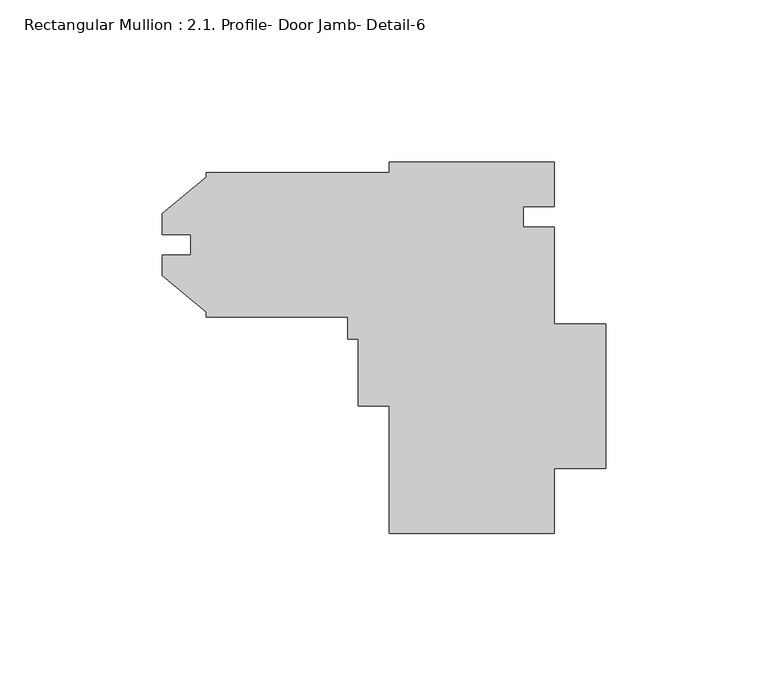
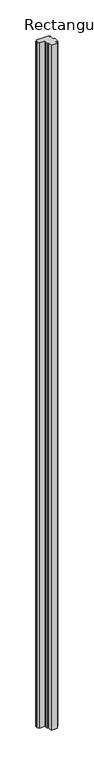
"""IFC4 building model written with IfcOpenShell, lengths in millimetres: member geometry, Rectangular Mullion : 2.1. Profile- Door Jamb- Detail-6."""

from ifc_helpers import new_model, si_unit, frame, origin, place, context, project, spatial, polyline, outline, extrude, source, transform, mapped, element, save


def rectangular_mullion_2_1_profile_door_jamb_detail_6_1bae16c7(model_context):
    return source(origin(), model_context, "Body", "SweptSolid", [
        extrude(outline(polyline([(25.4, 11.4069813), (15.875, 11.4069813), (15.875, 5.0569813), (25.4, 5.0569813), (25.4, -24.8512686), (41.275, -24.8512686), (41.275, -69.3012686), (25.4, -69.3012686), (25.4, -89.2405187), (-25.4, -89.2405187), (-25.4, -49.9975187), (-34.925, -49.9975187), (-34.925, -29.3727188), (-38.1, -29.3727188), (-38.1, -22.5655187), (-81.75625, -22.5655187), (-81.75625, -21.166272), (-95.21825, -9.8703128), (-95.21825, -3.5000342), (-86.53145, -3.5000342), (-86.53145, 2.8240767), (-95.21825, 2.8240767), (-95.21825, 9.1943553), (-81.75625, 20.4903145), (-81.75625, 21.8844813), (-25.4, 21.8844813), (-25.4, 25.0594813), (25.4, 25.0594813), (25.4, 11.4069813)])), frame((0.0, 0.0, -6096.0), z_axis=(0.0, 0.0, 1.0), x_axis=(1.0, 0.0, 0.0)), (0.0, 0.0, 1.0), 6096.0),
    ])


if __name__ == "__main__":
    model = new_model("IFC4")
    model_context = context("Model", 3, world=origin())
    ifc_project = project(units=[si_unit("LENGTHUNIT", "METRE", prefix="MILLI")], contexts=[model_context])
    site = spatial("IfcSite", under=ifc_project)
    building = spatial("IfcBuilding", under=site)
    placement = place(None, origin())
    rectangular_mullion_2_1_profile_door_jamb_detail_6_shape = rectangular_mullion_2_1_profile_door_jamb_detail_6_1bae16c7(model_context)
    element("IfcMember", 1, ObjectType="Rectangular Mullion : 2.1. Profile- Door Jamb- Detail-6", at=placement, inside=building, context=model_context, shape_type="MappedRepresentation", body=[
        mapped(rectangular_mullion_2_1_profile_door_jamb_detail_6_shape, transform((0.0, 0.0, 0.0), x_axis=(1.0, 0.0, 0.0), y_axis=(0.0, 1.0, 0.0), z_axis=(0.0, 0.0, 1.0))),
    ])
    save(model, "model.ifc")
